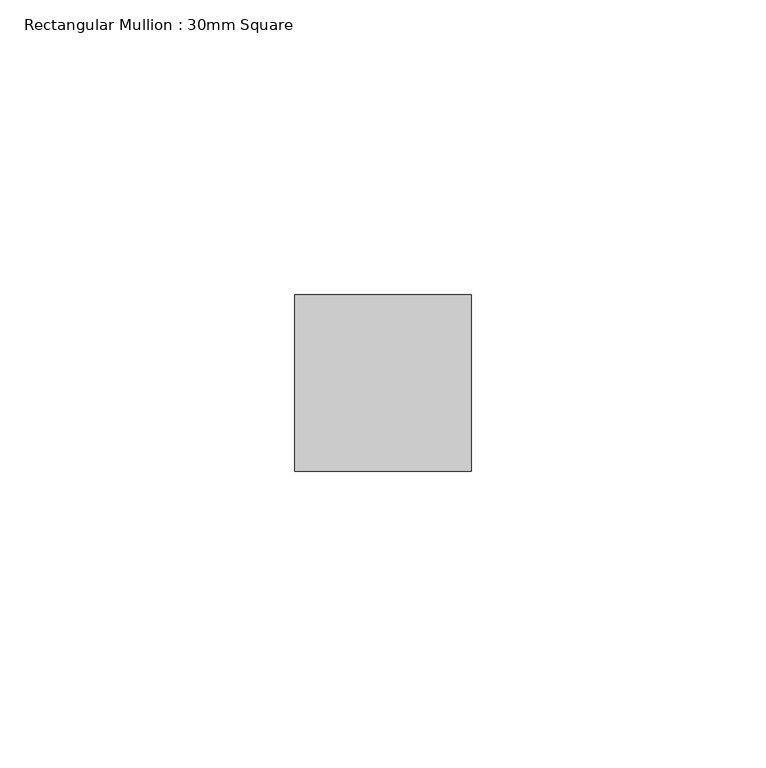
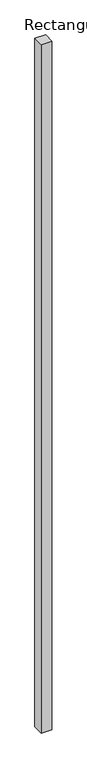
"""IFC4 building model written with IfcOpenShell, lengths in millimetres: member geometry, Rectangular Mullion : 30mm Square."""

from ifc_helpers import new_model, si_unit, frame, origin, place, context, project, spatial, polyline, outline, extrude, source, transform, mapped, element, save


def rectangular_mullion_30mm_square_c39fb33b(model_context):
    return source(origin(), model_context, "Body", "SweptSolid", [
        extrude(outline(polyline([(0.0, 15.0), (0.0, -15.0), (-30.0, -15.0), (-30.0, 15.0), (0.0, 15.0)])), frame((0.0, 0.0, -2055.0), z_axis=(0.0, 0.0, 1.0), x_axis=(1.0, 0.0, 0.0)), (0.0, 0.0, 1.0), 2055.0),
    ])


if __name__ == "__main__":
    model = new_model("IFC4")
    model_context = context("Model", 3, world=origin())
    ifc_project = project(units=[si_unit("LENGTHUNIT", "METRE", prefix="MILLI")], contexts=[model_context])
    site = spatial("IfcSite", under=ifc_project)
    building = spatial("IfcBuilding", under=site)
    placement = place(None, origin())
    rectangular_mullion_30mm_square_shape = rectangular_mullion_30mm_square_c39fb33b(model_context)
    element("IfcMember", 1, ObjectType="Rectangular Mullion : 30mm Square", at=placement, inside=building, context=model_context, shape_type="MappedRepresentation", body=[
        mapped(rectangular_mullion_30mm_square_shape, transform((0.0, 0.0, 0.0), x_axis=(1.0, 0.0, 0.0), y_axis=(0.0, 1.0, 0.0), z_axis=(0.0, 0.0, 1.0))),
    ])
    save(model, "model.ifc")
